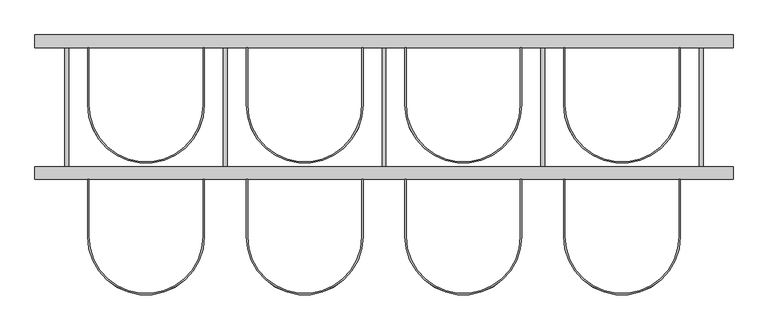
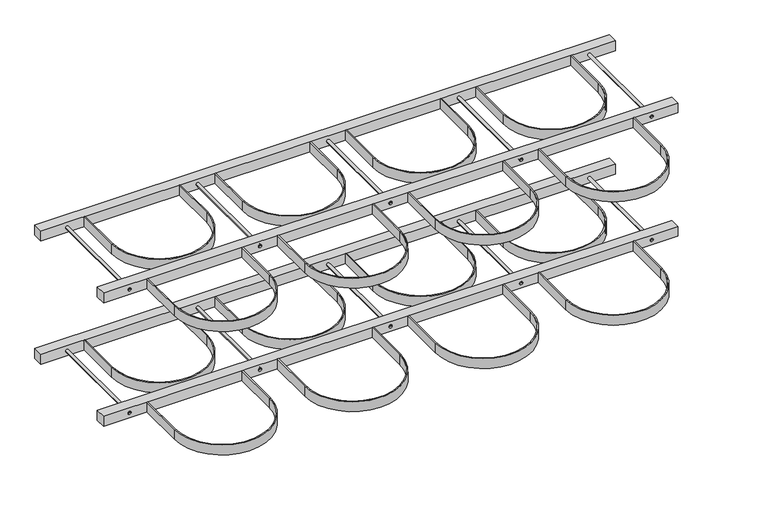
"""IFC4 building model written with IfcOpenShell, lengths in millimetres: proxy geometry."""

from ifc_helpers import new_model, si_unit, point, frame, frame_2d, origin, origin_2d, place, context, project, spatial, polyline, circle_curve, trimmed, segment, composite_curve, outline, extrude, source, transform, mapped, element, save
from ifc_brep_helpers import plane_surface, cylinder_surface, advanced_brep


def specialty_equipment_242458c3(model_context):
    return source(origin(), model_context, "Body", "SolidModel", [
        extrude(outline(composite_curve([segment(polyline([(1320.0, -235.0), (1320.0, -415.0)]), True, "CONTINUOUS"), segment(trimmed(circle_curve(frame_2d((1500.0, -415.0)), 180.0), [point((1320.0, -415.0))], [point((1680.0, -415.0))], True, "CARTESIAN"), True, "CONTINUOUS"), segment(polyline([(1680.0, -415.0), (1680.0, -235.0), (1684.0, -235.0), (1684.0, -415.0)]), True, "CONTINUOUS"), segment(trimmed(circle_curve(frame_2d((1500.0, -415.0)), 184.0), [point((1684.0, -415.0))], [point((1316.0, -415.0))], False, "CARTESIAN"), True, "CONTINUOUS"), segment(polyline([(1316.0, -415.0), (1316.0, -235.0), (1320.0, -235.0)]), True, "CONTINUOUS")], self_intersect=False)), frame((0.0, 0.0, 780.0), z_axis=(0.0, 0.0, 1.0), x_axis=(1.0, 0.0, 0.0)), (0.0, 0.0, 1.0), 40.0),
        advanced_brep(
        [(1756.0, -235.0, 800.0), (1744.0, -235.0, 800.0), (1744.0, 180.0, 800.0), (1756.0, 180.0, 800.0), (1750.0, -235.0, 800.0), (1750.0, 180.0, 800.0)],
        [
            (0, 1, circle_curve(frame((1750.0, -235.0, 800.0), z_axis=(0.0, 1.0, 0.0), x_axis=(-1.0, 0.0, 0.0)), 6.0)),
            (1, 2),
            (2, 3, circle_curve(frame((1750.0, 180.0, 800.0), z_axis=(0.0, -1.0, 0.0), x_axis=(-1.0, 0.0, 0.0)), 6.0)),
            (3, 0),
            (1, 0, circle_curve(frame((1750.0, -235.0, 800.0), z_axis=(0.0, 1.0, 0.0), x_axis=(-1.0, 0.0, 0.0)), 6.0)),
            (3, 2, circle_curve(frame((1750.0, 180.0, 800.0), z_axis=(0.0, -1.0, 0.0), x_axis=(-1.0, 0.0, 0.0)), 6.0)),
            (4, 1),
            (0, 4),
            (2, 5),
            (5, 3),
        ],
        [
            cylinder_surface(frame((1750.0, 1704.0, 800.0), z_axis=(0.0, -1.0, 0.0), x_axis=(-1.0, 0.0, 0.0)), 6.0),
            plane_surface(frame((1750.0, -235.0, 800.0), z_axis=(0.0, -1.0, 0.0), x_axis=(-1.0, 0.0, 0.0))),
            plane_surface(frame((1750.0, 180.0, 800.0), z_axis=(0.0, 1.0, 0.0), x_axis=(-1.0, 0.0, 0.0))),
        ],
        [
            (0, [[1, 2, 3, 4]]),
            (0, [[5, -4, 6, -2]]),
            (1, [[7, -1, 8]]),
            (1, [[-8, -5, -7]]),
            (2, [[-3, 9, 10]]),
            (2, [[-6, -10, -9]]),
        ],
    ),
        extrude(outline(composite_curve([segment(polyline([(1320.0, 180.0), (1320.0, 0.0)]), True, "CONTINUOUS"), segment(trimmed(circle_curve(frame_2d((1500.0, 0.0)), 180.0), [point((1320.0, 0.0))], [point((1680.0, 0.0))], True, "CARTESIAN"), True, "CONTINUOUS"), segment(polyline([(1680.0, 0.0), (1680.0, 180.0), (1684.0, 180.0), (1684.0, 0.0)]), True, "CONTINUOUS"), segment(trimmed(circle_curve(frame_2d((1500.0, 0.0)), 184.0), [point((1684.0, 0.0))], [point((1316.0, 0.0))], False, "CARTESIAN"), True, "CONTINUOUS"), segment(polyline([(1316.0, 0.0), (1316.0, 180.0), (1320.0, 180.0)]), True, "CONTINUOUS")], self_intersect=False)), frame((0.0, 0.0, 780.0), z_axis=(0.0, 0.0, 1.0), x_axis=(1.0, 0.0, 0.0)), (0.0, 0.0, 1.0), 40.0),
        extrude(outline(composite_curve([segment(polyline([(820.0, -235.0), (820.0, -415.0)]), True, "CONTINUOUS"), segment(trimmed(circle_curve(frame_2d((1000.0, -415.0)), 180.0), [point((820.0, -415.0))], [point((1180.0, -415.0))], True, "CARTESIAN"), True, "CONTINUOUS"), segment(polyline([(1180.0, -415.0), (1180.0, -235.0), (1184.0, -235.0), (1184.0, -415.0)]), True, "CONTINUOUS"), segment(trimmed(circle_curve(frame_2d((1000.0, -415.0)), 184.0), [point((1184.0, -415.0))], [point((816.0, -415.0))], False, "CARTESIAN"), True, "CONTINUOUS"), segment(polyline([(816.0, -415.0), (816.0, -235.0), (820.0, -235.0)]), True, "CONTINUOUS")], self_intersect=False)), frame((0.0, 0.0, 780.0), z_axis=(0.0, 0.0, 1.0), x_axis=(1.0, 0.0, 0.0)), (0.0, 0.0, 1.0), 40.0),
        advanced_brep(
        [(1256.0, -235.0, 800.0), (1244.0, -235.0, 800.0), (1244.0, 180.0, 800.0), (1256.0, 180.0, 800.0), (1250.0, -235.0, 800.0), (1250.0, 180.0, 800.0)],
        [
            (0, 1, circle_curve(frame((1250.0, -235.0, 800.0), z_axis=(0.0, 1.0, 0.0), x_axis=(-1.0, 0.0, 0.0)), 6.0)),
            (1, 2),
            (2, 3, circle_curve(frame((1250.0, 180.0, 800.0), z_axis=(0.0, -1.0, 0.0), x_axis=(-1.0, 0.0, 0.0)), 6.0)),
            (3, 0),
            (1, 0, circle_curve(frame((1250.0, -235.0, 800.0), z_axis=(0.0, 1.0, 0.0), x_axis=(-1.0, 0.0, 0.0)), 6.0)),
            (3, 2, circle_curve(frame((1250.0, 180.0, 800.0), z_axis=(0.0, -1.0, 0.0), x_axis=(-1.0, 0.0, 0.0)), 6.0)),
            (4, 1),
            (0, 4),
            (2, 5),
            (5, 3),
        ],
        [
            cylinder_surface(frame((1250.0, 1704.0, 800.0), z_axis=(0.0, -1.0, 0.0), x_axis=(-1.0, 0.0, 0.0)), 6.0),
            plane_surface(frame((1250.0, -235.0, 800.0), z_axis=(0.0, -1.0, 0.0), x_axis=(-1.0, 0.0, 0.0))),
            plane_surface(frame((1250.0, 180.0, 800.0), z_axis=(0.0, 1.0, 0.0), x_axis=(-1.0, 0.0, 0.0))),
        ],
        [
            (0, [[1, 2, 3, 4]]),
            (0, [[5, -4, 6, -2]]),
            (1, [[7, -1, 8]]),
            (1, [[-8, -5, -7]]),
            (2, [[-3, 9, 10]]),
            (2, [[-6, -10, -9]]),
        ],
    ),
        extrude(outline(composite_curve([segment(polyline([(820.0, 180.0), (820.0, 0.0)]), True, "CONTINUOUS"), segment(trimmed(circle_curve(frame_2d((1000.0, 0.0)), 180.0), [point((820.0, 0.0))], [point((1180.0, 0.0))], True, "CARTESIAN"), True, "CONTINUOUS"), segment(polyline([(1180.0, 0.0), (1180.0, 180.0), (1184.0, 180.0), (1184.0, 0.0)]), True, "CONTINUOUS"), segment(trimmed(circle_curve(frame_2d((1000.0, 0.0)), 184.0), [point((1184.0, 0.0))], [point((816.0, 0.0))], False, "CARTESIAN"), True, "CONTINUOUS"), segment(polyline([(816.0, 0.0), (816.0, 180.0), (820.0, 180.0)]), True, "CONTINUOUS")], self_intersect=False)), frame((0.0, 0.0, 780.0), z_axis=(0.0, 0.0, 1.0), x_axis=(1.0, 0.0, 0.0)), (0.0, 0.0, 1.0), 40.0),
        extrude(outline(composite_curve([segment(polyline([(320.0, -235.0), (320.0, -415.0)]), True, "CONTINUOUS"), segment(trimmed(circle_curve(frame_2d((500.0, -415.0)), 180.0), [point((320.0, -415.0))], [point((680.0, -415.0))], True, "CARTESIAN"), True, "CONTINUOUS"), segment(polyline([(680.0, -415.0), (680.0, -235.0), (684.0, -235.0), (684.0, -415.0)]), True, "CONTINUOUS"), segment(trimmed(circle_curve(frame_2d((500.0, -415.0)), 184.0), [point((684.0, -415.0))], [point((316.0, -415.0))], False, "CARTESIAN"), True, "CONTINUOUS"), segment(polyline([(316.0, -415.0), (316.0, -235.0), (320.0, -235.0)]), True, "CONTINUOUS")], self_intersect=False)), frame((0.0, 0.0, 780.0), z_axis=(0.0, 0.0, 1.0), x_axis=(1.0, 0.0, 0.0)), (0.0, 0.0, 1.0), 40.0),
        advanced_brep(
        [(756.0, -235.0, 800.0), (744.0, -235.0, 800.0), (744.0, 180.0, 800.0), (756.0, 180.0, 800.0), (750.0, -235.0, 800.0), (750.0, 180.0, 800.0)],
        [
            (0, 1, circle_curve(frame((750.0, -235.0, 800.0), z_axis=(0.0, 1.0, 0.0), x_axis=(-1.0, 0.0, 0.0)), 6.0)),
            (1, 2),
            (2, 3, circle_curve(frame((750.0, 180.0, 800.0), z_axis=(0.0, -1.0, 0.0), x_axis=(-1.0, 0.0, 0.0)), 6.0)),
            (3, 0),
            (1, 0, circle_curve(frame((750.0, -235.0, 800.0), z_axis=(0.0, 1.0, 0.0), x_axis=(-1.0, 0.0, 0.0)), 6.0)),
            (3, 2, circle_curve(frame((750.0, 180.0, 800.0), z_axis=(0.0, -1.0, 0.0), x_axis=(-1.0, 0.0, 0.0)), 6.0)),
            (4, 1),
            (0, 4),
            (2, 5),
            (5, 3),
        ],
        [
            cylinder_surface(frame((750.0, 1704.0, 800.0), z_axis=(0.0, -1.0, 0.0), x_axis=(-1.0, 0.0, 0.0)), 6.0),
            plane_surface(frame((750.0, -235.0, 800.0), z_axis=(0.0, -1.0, 0.0), x_axis=(-1.0, 0.0, 0.0))),
            plane_surface(frame((750.0, 180.0, 800.0), z_axis=(0.0, 1.0, 0.0), x_axis=(-1.0, 0.0, 0.0))),
        ],
        [
            (0, [[1, 2, 3, 4]]),
            (0, [[5, -4, 6, -2]]),
            (1, [[7, -1, 8]]),
            (1, [[-8, -5, -7]]),
            (2, [[-3, 9, 10]]),
            (2, [[-6, -10, -9]]),
        ],
    ),
        advanced_brep(
        [(256.0, -235.0, 800.0), (244.0, -235.0, 800.0), (244.0, 180.0, 800.0), (256.0, 180.0, 800.0), (250.0, -235.0, 800.0), (250.0, 180.0, 800.0)],
        [
            (0, 1, circle_curve(frame((250.0, -235.0, 800.0), z_axis=(0.0, 1.0, 0.0), x_axis=(-1.0, 0.0, 0.0)), 6.0)),
            (1, 2),
            (2, 3, circle_curve(frame((250.0, 180.0, 800.0), z_axis=(0.0, -1.0, 0.0), x_axis=(-1.0, 0.0, 0.0)), 6.0)),
            (3, 0),
            (1, 0, circle_curve(frame((250.0, -235.0, 800.0), z_axis=(0.0, 1.0, 0.0), x_axis=(-1.0, 0.0, 0.0)), 6.0)),
            (3, 2, circle_curve(frame((250.0, 180.0, 800.0), z_axis=(0.0, -1.0, 0.0), x_axis=(-1.0, 0.0, 0.0)), 6.0)),
            (4, 1),
            (0, 4),
            (2, 5),
            (5, 3),
        ],
        [
            cylinder_surface(frame((250.0, 1704.0, 800.0), z_axis=(0.0, -1.0, 0.0), x_axis=(-1.0, 0.0, 0.0)), 6.0),
            plane_surface(frame((250.0, -235.0, 800.0), z_axis=(0.0, -1.0, 0.0), x_axis=(-1.0, 0.0, 0.0))),
            plane_surface(frame((250.0, 180.0, 800.0), z_axis=(0.0, 1.0, 0.0), x_axis=(-1.0, 0.0, 0.0))),
        ],
        [
            (0, [[1, 2, 3, 4]]),
            (0, [[5, -4, 6, -2]]),
            (1, [[7, -1, 8]]),
            (1, [[-8, -5, -7]]),
            (2, [[-3, 9, 10]]),
            (2, [[-6, -10, -9]]),
        ],
    ),
        extrude(outline(composite_curve([segment(polyline([(-180.0, -235.0), (-180.0, -415.0)]), True, "CONTINUOUS"), segment(trimmed(circle_curve(frame_2d((0.0, -415.0)), 180.0), [point((-180.0, -415.0))], [point((180.0, -415.0))], True, "CARTESIAN"), True, "CONTINUOUS"), segment(polyline([(180.0, -415.0), (180.0, -235.0), (184.0, -235.0), (184.0, -415.0)]), True, "CONTINUOUS"), segment(trimmed(circle_curve(frame_2d((0.0, -415.0)), 184.0), [point((184.0, -415.0))], [point((-184.0, -415.0))], False, "CARTESIAN"), True, "CONTINUOUS"), segment(polyline([(-184.0, -415.0), (-184.0, -235.0), (-180.0, -235.0)]), True, "CONTINUOUS")], self_intersect=False)), frame((0.0, 0.0, 780.0), z_axis=(0.0, 0.0, 1.0), x_axis=(1.0, 0.0, 0.0)), (0.0, 0.0, 1.0), 40.0),
        advanced_brep(
        [(-244.0, -235.0, 800.0), (-256.0, -235.0, 800.0), (-256.0, 180.0, 800.0), (-244.0, 180.0, 800.0), (-250.0, -235.0, 800.0), (-250.0, 180.0, 800.0)],
        [
            (0, 1, circle_curve(frame((-250.0, -235.0, 800.0), z_axis=(0.0, 1.0, 0.0), x_axis=(-1.0, 0.0, 0.0)), 6.0)),
            (1, 2),
            (2, 3, circle_curve(frame((-250.0, 180.0, 800.0), z_axis=(0.0, -1.0, 0.0), x_axis=(-1.0, 0.0, 0.0)), 6.0)),
            (3, 0),
            (1, 0, circle_curve(frame((-250.0, -235.0, 800.0), z_axis=(0.0, 1.0, 0.0), x_axis=(-1.0, 0.0, 0.0)), 6.0)),
            (3, 2, circle_curve(frame((-250.0, 180.0, 800.0), z_axis=(0.0, -1.0, 0.0), x_axis=(-1.0, 0.0, 0.0)), 6.0)),
            (4, 1),
            (0, 4),
            (2, 5),
            (5, 3),
        ],
        [
            cylinder_surface(frame((-250.0, 1704.0, 800.0), z_axis=(0.0, -1.0, 0.0), x_axis=(-1.0, 0.0, 0.0)), 6.0),
            plane_surface(frame((-250.0, -235.0, 800.0), z_axis=(0.0, -1.0, 0.0), x_axis=(-1.0, 0.0, 0.0))),
            plane_surface(frame((-250.0, 180.0, 800.0), z_axis=(0.0, 1.0, 0.0), x_axis=(-1.0, 0.0, 0.0))),
        ],
        [
            (0, [[1, 2, 3, 4]]),
            (0, [[5, -4, 6, -2]]),
            (1, [[7, -1, 8]]),
            (1, [[-8, -5, -7]]),
            (2, [[-3, 9, 10]]),
            (2, [[-6, -10, -9]]),
        ],
    ),
        extrude(outline(composite_curve([segment(polyline([(320.0, 180.0), (320.0, 0.0)]), True, "CONTINUOUS"), segment(trimmed(circle_curve(frame_2d((500.0, 0.0)), 180.0), [point((320.0, 0.0))], [point((680.0, 0.0))], True, "CARTESIAN"), True, "CONTINUOUS"), segment(polyline([(680.0, 0.0), (680.0, 180.0), (684.0, 180.0), (684.0, 0.0)]), True, "CONTINUOUS"), segment(trimmed(circle_curve(frame_2d((500.0, 0.0)), 184.0), [point((684.0, 0.0))], [point((316.0, 0.0))], False, "CARTESIAN"), True, "CONTINUOUS"), segment(polyline([(316.0, 0.0), (316.0, 180.0), (320.0, 180.0)]), True, "CONTINUOUS")], self_intersect=False)), frame((0.0, 0.0, 780.0), z_axis=(0.0, 0.0, 1.0), x_axis=(1.0, 0.0, 0.0)), (0.0, 0.0, 1.0), 40.0),
        extrude(outline(composite_curve([segment(polyline([(-180.0, 180.0), (-180.0, 0.0)]), True, "CONTINUOUS"), segment(trimmed(circle_curve(origin_2d(), 180.0), [point((-180.0, 0.0))], [point((180.0, 0.0))], True, "CARTESIAN"), True, "CONTINUOUS"), segment(polyline([(180.0, 0.0), (180.0, 180.0), (184.0, 180.0), (184.0, 0.0)]), True, "CONTINUOUS"), segment(trimmed(circle_curve(origin_2d(), 184.0), [point((184.0, 0.0))], [point((-184.0, 0.0))], False, "CARTESIAN"), True, "CONTINUOUS"), segment(polyline([(-184.0, 0.0), (-184.0, 180.0), (-180.0, 180.0)]), True, "CONTINUOUS")], self_intersect=False)), frame((0.0, 0.0, 780.0), z_axis=(0.0, 0.0, 1.0), x_axis=(1.0, 0.0, 0.0)), (0.0, 0.0, 1.0), 40.0),
        extrude(outline(polyline([(1850.0, -235.0), (-350.0, -235.0), (-350.0, -195.0), (1850.0, -195.0), (1850.0, -235.0)])), frame((0.0, 0.0, 780.0), z_axis=(0.0, 0.0, 1.0), x_axis=(1.0, 0.0, 0.0)), (0.0, 0.0, 1.0), 40.0),
        extrude(outline(polyline([(1850.0, 180.0), (-350.0, 180.0), (-350.0, 220.0), (1850.0, 220.0), (1850.0, 180.0)])), frame((0.0, 0.0, 780.0), z_axis=(0.0, 0.0, 1.0), x_axis=(1.0, 0.0, 0.0)), (0.0, 0.0, 1.0), 40.0),
        extrude(outline(composite_curve([segment(polyline([(1320.0, -235.0), (1320.0, -415.0)]), True, "CONTINUOUS"), segment(trimmed(circle_curve(frame_2d((1500.0, -415.0)), 180.0), [point((1320.0, -415.0))], [point((1680.0, -415.0))], True, "CARTESIAN"), True, "CONTINUOUS"), segment(polyline([(1680.0, -415.0), (1680.0, -235.0), (1684.0, -235.0), (1684.0, -415.0)]), True, "CONTINUOUS"), segment(trimmed(circle_curve(frame_2d((1500.0, -415.0)), 184.0), [point((1684.0, -415.0))], [point((1316.0, -415.0))], False, "CARTESIAN"), True, "CONTINUOUS"), segment(polyline([(1316.0, -415.0), (1316.0, -235.0), (1320.0, -235.0)]), True, "CONTINUOUS")], self_intersect=False)), frame((0.0, 0.0, 280.0), z_axis=(0.0, 0.0, 1.0), x_axis=(1.0, 0.0, 0.0)), (0.0, 0.0, 1.0), 40.0),
        advanced_brep(
        [(1756.0, -235.0, 300.0), (1744.0, -235.0, 300.0), (1744.0, 180.0, 300.0), (1756.0, 180.0, 300.0), (1750.0, -235.0, 300.0), (1750.0, 180.0, 300.0)],
        [
            (0, 1, circle_curve(frame((1750.0, -235.0, 300.0), z_axis=(0.0, 1.0, 0.0), x_axis=(-1.0, 0.0, 0.0)), 6.0)),
            (1, 2),
            (2, 3, circle_curve(frame((1750.0, 180.0, 300.0), z_axis=(0.0, -1.0, 0.0), x_axis=(-1.0, 0.0, 0.0)), 6.0)),
            (3, 0),
            (1, 0, circle_curve(frame((1750.0, -235.0, 300.0), z_axis=(0.0, 1.0, 0.0), x_axis=(-1.0, 0.0, 0.0)), 6.0)),
            (3, 2, circle_curve(frame((1750.0, 180.0, 300.0), z_axis=(0.0, -1.0, 0.0), x_axis=(-1.0, 0.0, 0.0)), 6.0)),
            (4, 1),
            (0, 4),
            (2, 5),
            (5, 3),
        ],
        [
            cylinder_surface(frame((1750.0, 1704.0, 300.0), z_axis=(0.0, -1.0, 0.0), x_axis=(-1.0, 0.0, 0.0)), 6.0),
            plane_surface(frame((1750.0, -235.0, 300.0), z_axis=(0.0, -1.0, 0.0), x_axis=(-1.0, 0.0, 0.0))),
            plane_surface(frame((1750.0, 180.0, 300.0), z_axis=(0.0, 1.0, 0.0), x_axis=(-1.0, 0.0, 0.0))),
        ],
        [
            (0, [[1, 2, 3, 4]]),
            (0, [[5, -4, 6, -2]]),
            (1, [[7, -1, 8]]),
            (1, [[-8, -5, -7]]),
            (2, [[-3, 9, 10]]),
            (2, [[-6, -10, -9]]),
        ],
    ),
        extrude(outline(composite_curve([segment(polyline([(1320.0, 180.0), (1320.0, 0.0)]), True, "CONTINUOUS"), segment(trimmed(circle_curve(frame_2d((1500.0, 0.0)), 180.0), [point((1320.0, 0.0))], [point((1680.0, 0.0))], True, "CARTESIAN"), True, "CONTINUOUS"), segment(polyline([(1680.0, 0.0), (1680.0, 180.0), (1684.0, 180.0), (1684.0, 0.0)]), True, "CONTINUOUS"), segment(trimmed(circle_curve(frame_2d((1500.0, 0.0)), 184.0), [point((1684.0, 0.0))], [point((1316.0, 0.0))], False, "CARTESIAN"), True, "CONTINUOUS"), segment(polyline([(1316.0, 0.0), (1316.0, 180.0), (1320.0, 180.0)]), True, "CONTINUOUS")], self_intersect=False)), frame((0.0, 0.0, 280.0), z_axis=(0.0, 0.0, 1.0), x_axis=(1.0, 0.0, 0.0)), (0.0, 0.0, 1.0), 40.0),
        extrude(outline(composite_curve([segment(polyline([(820.0, -235.0), (820.0, -415.0)]), True, "CONTINUOUS"), segment(trimmed(circle_curve(frame_2d((1000.0, -415.0)), 180.0), [point((820.0, -415.0))], [point((1180.0, -415.0))], True, "CARTESIAN"), True, "CONTINUOUS"), segment(polyline([(1180.0, -415.0), (1180.0, -235.0), (1184.0, -235.0), (1184.0, -415.0)]), True, "CONTINUOUS"), segment(trimmed(circle_curve(frame_2d((1000.0, -415.0)), 184.0), [point((1184.0, -415.0))], [point((816.0, -415.0))], False, "CARTESIAN"), True, "CONTINUOUS"), segment(polyline([(816.0, -415.0), (816.0, -235.0), (820.0, -235.0)]), True, "CONTINUOUS")], self_intersect=False)), frame((0.0, 0.0, 280.0), z_axis=(0.0, 0.0, 1.0), x_axis=(1.0, 0.0, 0.0)), (0.0, 0.0, 1.0), 40.0),
        advanced_brep(
        [(1256.0, -235.0, 300.0), (1244.0, -235.0, 300.0), (1244.0, 180.0, 300.0), (1256.0, 180.0, 300.0), (1250.0, -235.0, 300.0), (1250.0, 180.0, 300.0)],
        [
            (0, 1, circle_curve(frame((1250.0, -235.0, 300.0), z_axis=(0.0, 1.0, 0.0), x_axis=(-1.0, 0.0, 0.0)), 6.0)),
            (1, 2),
            (2, 3, circle_curve(frame((1250.0, 180.0, 300.0), z_axis=(0.0, -1.0, 0.0), x_axis=(-1.0, 0.0, 0.0)), 6.0)),
            (3, 0),
            (1, 0, circle_curve(frame((1250.0, -235.0, 300.0), z_axis=(0.0, 1.0, 0.0), x_axis=(-1.0, 0.0, 0.0)), 6.0)),
            (3, 2, circle_curve(frame((1250.0, 180.0, 300.0), z_axis=(0.0, -1.0, 0.0), x_axis=(-1.0, 0.0, 0.0)), 6.0)),
            (4, 1),
            (0, 4),
            (2, 5),
            (5, 3),
        ],
        [
            cylinder_surface(frame((1250.0, 1704.0, 300.0), z_axis=(0.0, -1.0, 0.0), x_axis=(-1.0, 0.0, 0.0)), 6.0),
            plane_surface(frame((1250.0, -235.0, 300.0), z_axis=(0.0, -1.0, 0.0), x_axis=(-1.0, 0.0, 0.0))),
            plane_surface(frame((1250.0, 180.0, 300.0), z_axis=(0.0, 1.0, 0.0), x_axis=(-1.0, 0.0, 0.0))),
        ],
        [
            (0, [[1, 2, 3, 4]]),
            (0, [[5, -4, 6, -2]]),
            (1, [[7, -1, 8]]),
            (1, [[-8, -5, -7]]),
            (2, [[-3, 9, 10]]),
            (2, [[-6, -10, -9]]),
        ],
    ),
        extrude(outline(composite_curve([segment(polyline([(820.0, 180.0), (820.0, 0.0)]), True, "CONTINUOUS"), segment(trimmed(circle_curve(frame_2d((1000.0, 0.0)), 180.0), [point((820.0, 0.0))], [point((1180.0, 0.0))], True, "CARTESIAN"), True, "CONTINUOUS"), segment(polyline([(1180.0, 0.0), (1180.0, 180.0), (1184.0, 180.0), (1184.0, 0.0)]), True, "CONTINUOUS"), segment(trimmed(circle_curve(frame_2d((1000.0, 0.0)), 184.0), [point((1184.0, 0.0))], [point((816.0, 0.0))], False, "CARTESIAN"), True, "CONTINUOUS"), segment(polyline([(816.0, 0.0), (816.0, 180.0), (820.0, 180.0)]), True, "CONTINUOUS")], self_intersect=False)), frame((0.0, 0.0, 280.0), z_axis=(0.0, 0.0, 1.0), x_axis=(1.0, 0.0, 0.0)), (0.0, 0.0, 1.0), 40.0),
        extrude(outline(composite_curve([segment(polyline([(320.0, -235.0), (320.0, -415.0)]), True, "CONTINUOUS"), segment(trimmed(circle_curve(frame_2d((500.0, -415.0)), 180.0), [point((320.0, -415.0))], [point((680.0, -415.0))], True, "CARTESIAN"), True, "CONTINUOUS"), segment(polyline([(680.0, -415.0), (680.0, -235.0), (684.0, -235.0), (684.0, -415.0)]), True, "CONTINUOUS"), segment(trimmed(circle_curve(frame_2d((500.0, -415.0)), 184.0), [point((684.0, -415.0))], [point((316.0, -415.0))], False, "CARTESIAN"), True, "CONTINUOUS"), segment(polyline([(316.0, -415.0), (316.0, -235.0), (320.0, -235.0)]), True, "CONTINUOUS")], self_intersect=False)), frame((0.0, 0.0, 280.0), z_axis=(0.0, 0.0, 1.0), x_axis=(1.0, 0.0, 0.0)), (0.0, 0.0, 1.0), 40.0),
        advanced_brep(
        [(756.0, -235.0, 300.0), (744.0, -235.0, 300.0), (744.0, 180.0, 300.0), (756.0, 180.0, 300.0), (750.0, -235.0, 300.0), (750.0, 180.0, 300.0)],
        [
            (0, 1, circle_curve(frame((750.0, -235.0, 300.0), z_axis=(0.0, 1.0, 0.0), x_axis=(-1.0, 0.0, 0.0)), 6.0)),
            (1, 2),
            (2, 3, circle_curve(frame((750.0, 180.0, 300.0), z_axis=(0.0, -1.0, 0.0), x_axis=(-1.0, 0.0, 0.0)), 6.0)),
            (3, 0),
            (1, 0, circle_curve(frame((750.0, -235.0, 300.0), z_axis=(0.0, 1.0, 0.0), x_axis=(-1.0, 0.0, 0.0)), 6.0)),
            (3, 2, circle_curve(frame((750.0, 180.0, 300.0), z_axis=(0.0, -1.0, 0.0), x_axis=(-1.0, 0.0, 0.0)), 6.0)),
            (4, 1),
            (0, 4),
            (2, 5),
            (5, 3),
        ],
        [
            cylinder_surface(frame((750.0, 1704.0, 300.0), z_axis=(0.0, -1.0, 0.0), x_axis=(-1.0, 0.0, 0.0)), 6.0),
            plane_surface(frame((750.0, -235.0, 300.0), z_axis=(0.0, -1.0, 0.0), x_axis=(-1.0, 0.0, 0.0))),
            plane_surface(frame((750.0, 180.0, 300.0), z_axis=(0.0, 1.0, 0.0), x_axis=(-1.0, 0.0, 0.0))),
        ],
        [
            (0, [[1, 2, 3, 4]]),
            (0, [[5, -4, 6, -2]]),
            (1, [[7, -1, 8]]),
            (1, [[-8, -5, -7]]),
            (2, [[-3, 9, 10]]),
            (2, [[-6, -10, -9]]),
        ],
    ),
        advanced_brep(
        [(256.0, -235.0, 300.0), (244.0, -235.0, 300.0), (244.0, 180.0, 300.0), (256.0, 180.0, 300.0), (250.0, -235.0, 300.0), (250.0, 180.0, 300.0)],
        [
            (0, 1, circle_curve(frame((250.0, -235.0, 300.0), z_axis=(0.0, 1.0, 0.0), x_axis=(-1.0, 0.0, 0.0)), 6.0)),
            (1, 2),
            (2, 3, circle_curve(frame((250.0, 180.0, 300.0), z_axis=(0.0, -1.0, 0.0), x_axis=(-1.0, 0.0, 0.0)), 6.0)),
            (3, 0),
            (1, 0, circle_curve(frame((250.0, -235.0, 300.0), z_axis=(0.0, 1.0, 0.0), x_axis=(-1.0, 0.0, 0.0)), 6.0)),
            (3, 2, circle_curve(frame((250.0, 180.0, 300.0), z_axis=(0.0, -1.0, 0.0), x_axis=(-1.0, 0.0, 0.0)), 6.0)),
            (4, 1),
            (0, 4),
            (2, 5),
            (5, 3),
        ],
        [
            cylinder_surface(frame((250.0, 1704.0, 300.0), z_axis=(0.0, -1.0, 0.0), x_axis=(-1.0, 0.0, 0.0)), 6.0),
            plane_surface(frame((250.0, -235.0, 300.0), z_axis=(0.0, -1.0, 0.0), x_axis=(-1.0, 0.0, 0.0))),
            plane_surface(frame((250.0, 180.0, 300.0), z_axis=(0.0, 1.0, 0.0), x_axis=(-1.0, 0.0, 0.0))),
        ],
        [
            (0, [[1, 2, 3, 4]]),
            (0, [[5, -4, 6, -2]]),
            (1, [[7, -1, 8]]),
            (1, [[-8, -5, -7]]),
            (2, [[-3, 9, 10]]),
            (2, [[-6, -10, -9]]),
        ],
    ),
        extrude(outline(composite_curve([segment(polyline([(-180.0, -235.0), (-180.0, -415.0)]), True, "CONTINUOUS"), segment(trimmed(circle_curve(frame_2d((0.0, -415.0)), 180.0), [point((-180.0, -415.0))], [point((180.0, -415.0))], True, "CARTESIAN"), True, "CONTINUOUS"), segment(polyline([(180.0, -415.0), (180.0, -235.0), (184.0, -235.0), (184.0, -415.0)]), True, "CONTINUOUS"), segment(trimmed(circle_curve(frame_2d((0.0, -415.0)), 184.0), [point((184.0, -415.0))], [point((-184.0, -415.0))], False, "CARTESIAN"), True, "CONTINUOUS"), segment(polyline([(-184.0, -415.0), (-184.0, -235.0), (-180.0, -235.0)]), True, "CONTINUOUS")], self_intersect=False)), frame((0.0, 0.0, 280.0), z_axis=(0.0, 0.0, 1.0), x_axis=(1.0, 0.0, 0.0)), (0.0, 0.0, 1.0), 40.0),
        advanced_brep(
        [(-244.0, -235.0, 300.0), (-256.0, -235.0, 300.0), (-256.0, 180.0, 300.0), (-244.0, 180.0, 300.0), (-250.0, -235.0, 300.0), (-250.0, 180.0, 300.0)],
        [
            (0, 1, circle_curve(frame((-250.0, -235.0, 300.0), z_axis=(0.0, 1.0, 0.0), x_axis=(-1.0, 0.0, 0.0)), 6.0)),
            (1, 2),
            (2, 3, circle_curve(frame((-250.0, 180.0, 300.0), z_axis=(0.0, -1.0, 0.0), x_axis=(-1.0, 0.0, 0.0)), 6.0)),
            (3, 0),
            (1, 0, circle_curve(frame((-250.0, -235.0, 300.0), z_axis=(0.0, 1.0, 0.0), x_axis=(-1.0, 0.0, 0.0)), 6.0)),
            (3, 2, circle_curve(frame((-250.0, 180.0, 300.0), z_axis=(0.0, -1.0, 0.0), x_axis=(-1.0, 0.0, 0.0)), 6.0)),
            (4, 1),
            (0, 4),
            (2, 5),
            (5, 3),
        ],
        [
            cylinder_surface(frame((-250.0, 1704.0, 300.0), z_axis=(0.0, -1.0, 0.0), x_axis=(-1.0, 0.0, 0.0)), 6.0),
            plane_surface(frame((-250.0, -235.0, 300.0), z_axis=(0.0, -1.0, 0.0), x_axis=(-1.0, 0.0, 0.0))),
            plane_surface(frame((-250.0, 180.0, 300.0), z_axis=(0.0, 1.0, 0.0), x_axis=(-1.0, 0.0, 0.0))),
        ],
        [
            (0, [[1, 2, 3, 4]]),
            (0, [[5, -4, 6, -2]]),
            (1, [[7, -1, 8]]),
            (1, [[-8, -5, -7]]),
            (2, [[-3, 9, 10]]),
            (2, [[-6, -10, -9]]),
        ],
    ),
        extrude(outline(composite_curve([segment(polyline([(320.0, 180.0), (320.0, 0.0)]), True, "CONTINUOUS"), segment(trimmed(circle_curve(frame_2d((500.0, 0.0)), 180.0), [point((320.0, 0.0))], [point((680.0, 0.0))], True, "CARTESIAN"), True, "CONTINUOUS"), segment(polyline([(680.0, 0.0), (680.0, 180.0), (684.0, 180.0), (684.0, 0.0)]), True, "CONTINUOUS"), segment(trimmed(circle_curve(frame_2d((500.0, 0.0)), 184.0), [point((684.0, 0.0))], [point((316.0, 0.0))], False, "CARTESIAN"), True, "CONTINUOUS"), segment(polyline([(316.0, 0.0), (316.0, 180.0), (320.0, 180.0)]), True, "CONTINUOUS")], self_intersect=False)), frame((0.0, 0.0, 280.0), z_axis=(0.0, 0.0, 1.0), x_axis=(1.0, 0.0, 0.0)), (0.0, 0.0, 1.0), 40.0),
        extrude(outline(composite_curve([segment(polyline([(-180.0, 180.0), (-180.0, 0.0)]), True, "CONTINUOUS"), segment(trimmed(circle_curve(origin_2d(), 180.0), [point((-180.0, 0.0))], [point((180.0, 0.0))], True, "CARTESIAN"), True, "CONTINUOUS"), segment(polyline([(180.0, 0.0), (180.0, 180.0), (184.0, 180.0), (184.0, 0.0)]), True, "CONTINUOUS"), segment(trimmed(circle_curve(origin_2d(), 184.0), [point((184.0, 0.0))], [point((-184.0, 0.0))], False, "CARTESIAN"), True, "CONTINUOUS"), segment(polyline([(-184.0, 0.0), (-184.0, 180.0), (-180.0, 180.0)]), True, "CONTINUOUS")], self_intersect=False)), frame((0.0, 0.0, 280.0), z_axis=(0.0, 0.0, 1.0), x_axis=(1.0, 0.0, 0.0)), (0.0, 0.0, 1.0), 40.0),
        extrude(outline(polyline([(1850.0, -235.0), (-350.0, -235.0), (-350.0, -195.0), (1850.0, -195.0), (1850.0, -235.0)])), frame((0.0, 0.0, 280.0), z_axis=(0.0, 0.0, 1.0), x_axis=(1.0, 0.0, 0.0)), (0.0, 0.0, 1.0), 40.0),
        extrude(outline(polyline([(1850.0, 180.0), (-350.0, 180.0), (-350.0, 220.0), (1850.0, 220.0), (1850.0, 180.0)])), frame((0.0, 0.0, 280.0), z_axis=(0.0, 0.0, 1.0), x_axis=(1.0, 0.0, 0.0)), (0.0, 0.0, 1.0), 40.0),
    ])


if __name__ == "__main__":
    model = new_model("IFC4")
    model_context = context("Model", 3, world=origin())
    ifc_project = project(units=[si_unit("LENGTHUNIT", "METRE", prefix="MILLI")], contexts=[model_context])
    site = spatial("IfcSite", under=ifc_project)
    building = spatial("IfcBuilding", under=site)
    placement = place(None, origin())
    specialty_equipment_shape = specialty_equipment_242458c3(model_context)
    element("IfcBuildingElementProxy", 1, Name="Specialty Equipment", at=placement, inside=building, context=model_context, shape_type="MappedRepresentation", body=[
        mapped(specialty_equipment_shape, transform((0.0, 0.0, 0.0), x_axis=(1.0, 0.0, 0.0), y_axis=(0.0, 1.0, 0.0), z_axis=(0.0, 0.0, 1.0))),
    ])
    save(model, "model.ifc")
